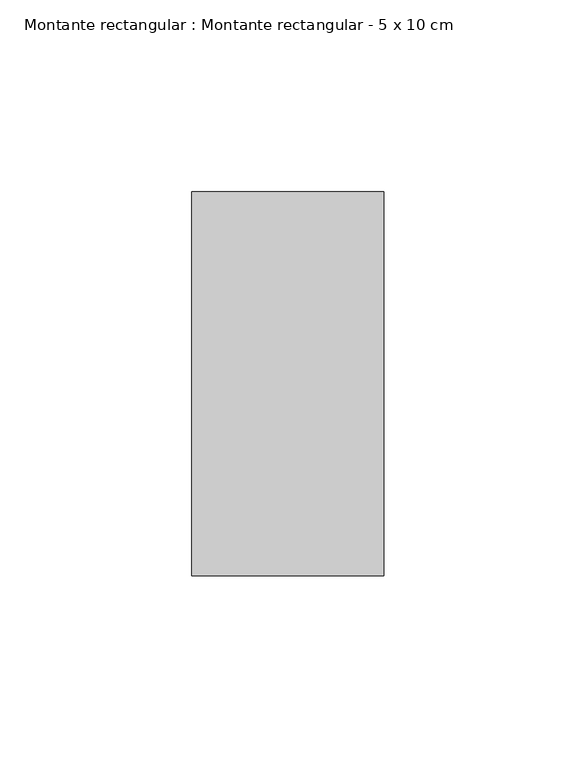
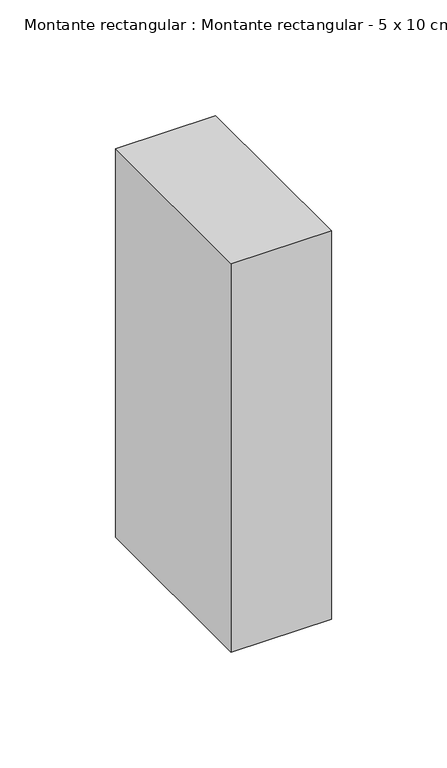
"""IFC4 building model written with IfcOpenShell, lengths in millimetres: member geometry, Montante rectangular : Montante rectangular - 5 x 10 cm."""

from ifc_helpers import new_model, si_unit, frame, origin, place, context, project, spatial, polyline, outline, extrude, source, transform, mapped, element, save


def montante_rectangular_montante_rectangular_5_x_10_cm_8576989d(model_context):
    return source(origin(), model_context, "Body", "SweptSolid", [
        extrude(outline(polyline([(25.0, 50.0), (25.0, -50.0), (-25.0, -50.0), (-25.0, 50.0), (25.0, 50.0)])), frame((0.0, 0.0, -205.0), z_axis=(0.0, 0.0, 1.0), x_axis=(1.0, 0.0, 0.0)), (0.0, 0.0, 1.0), 205.0),
    ])


if __name__ == "__main__":
    model = new_model("IFC4")
    model_context = context("Model", 3, world=origin())
    ifc_project = project(units=[si_unit("LENGTHUNIT", "METRE", prefix="MILLI")], contexts=[model_context])
    site = spatial("IfcSite", under=ifc_project)
    building = spatial("IfcBuilding", under=site)
    placement = place(None, origin())
    montante_rectangular_montante_rectangular_5_x_10_cm_shape = montante_rectangular_montante_rectangular_5_x_10_cm_8576989d(model_context)
    element("IfcMember", 1, ObjectType="Montante rectangular : Montante rectangular - 5 x 10 cm", at=placement, inside=building, context=model_context, shape_type="MappedRepresentation", body=[
        mapped(montante_rectangular_montante_rectangular_5_x_10_cm_shape, transform((0.0, 0.0, 0.0), x_axis=(1.0, 0.0, 0.0), y_axis=(0.0, 1.0, 0.0), z_axis=(0.0, 0.0, 1.0))),
    ])
    save(model, "model.ifc")
